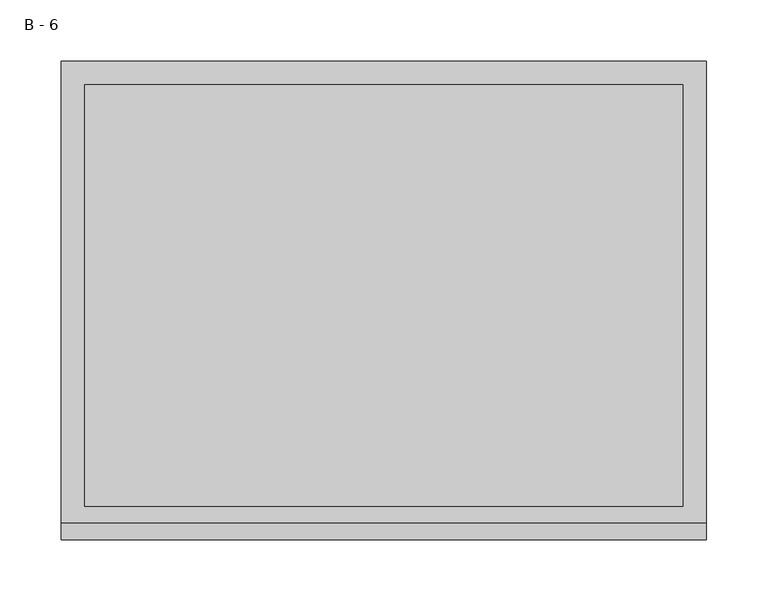
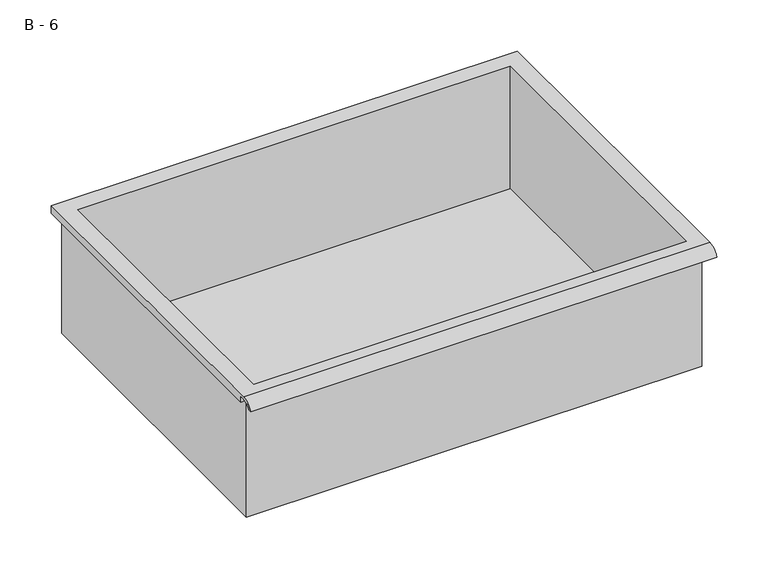
"""IFC4 building model written with IfcOpenShell, lengths in millimetres: furniture geometry, B - 6."""

from ifc_helpers import new_model, si_unit, frame, origin, place, context, project, spatial, polyline, circle_curve, source, transform, mapped, element, save
from ifc_brep_helpers import plane_surface, cylinder_surface, revolved_surface, advanced_brep


def b_6_4face197(model_context):
    return source(origin(), model_context, "Body", "AdvancedBrep", [
        advanced_brep(
        [(-257.1076517, -176.2125, 673.0111), (257.2423483, -176.2125, 673.0111), (257.2423483, -176.2125, 812.7111), (263.5923483, -176.2125, 812.7111), (263.5923483, -176.2125, 819.0182341), (-263.4576517, -176.2125, 819.0182341), (-263.4576517, -176.2125, 812.7111), (-257.1076517, -176.2125, 812.7111), (257.2423483, 185.7375, 673.0111), (-257.1076517, 185.7375, 673.0111), (-257.1076517, 185.7375, 812.7111), (257.2423483, 185.7375, 812.7111), (263.5923483, -181.6070544, 822.2361), (263.5923483, 195.2625, 822.2361), (-263.4576517, 195.2625, 822.2361), (-263.4576517, -181.6070544, 822.2361), (244.5423483, -168.275, 822.2361), (-244.4076517, -168.275, 822.2361), (-244.4076517, 176.2125, 822.2361), (244.5423483, 176.2125, 822.2361), (263.5923483, -195.2625, 812.7111), (263.5923483, -191.8280601, 812.7111), (263.5923483, -180.4714815, 819.0182341), (263.5923483, 195.2625, 812.7111), (-263.4576517, 195.2625, 812.7111), (-263.4576517, -180.4714815, 819.0182341), (-263.4576517, -191.8280601, 812.7111), (-263.4576517, -195.2625, 812.7111), (-244.4076517, -168.275, 676.0372719), (244.5423483, -168.275, 676.0372719), (244.5423483, 176.2125, 676.0372719), (-244.4076517, 176.2125, 676.0372719)],
        [
            (0, 1),
            (1, 2),
            (2, 3),
            (3, 4),
            (4, 5),
            (5, 6),
            (6, 7),
            (7, 0),
            (8, 9),
            (9, 10),
            (10, 11),
            (11, 8),
            (0, 9),
            (8, 1),
            (11, 2),
            (12, 13),
            (13, 14),
            (14, 15),
            (15, 12),
            (16, 17),
            (17, 18),
            (18, 19),
            (19, 16),
            (7, 10),
            (12, 20, circle_curve(frame((263.5923483, -181.6070544, 807.6850859), z_axis=(1.0, 0.0, 0.0), x_axis=(0.0, 1.0, 0.0)), 14.5510141)),
            (20, 21),
            (21, 22, circle_curve(frame((263.5923483, -181.6070544, 807.6850859), z_axis=(-1.0, 0.0, 0.0), x_axis=(0.0, 1.0, 0.0)), 11.3898979)),
            (22, 4),
            (3, 23),
            (23, 13),
            (14, 24),
            (24, 6),
            (5, 25),
            (25, 26, circle_curve(frame((-263.4576517, -181.6070544, 807.6850859), z_axis=(1.0, 0.0, 0.0), x_axis=(0.0, 1.0, 0.0)), 11.3898979)),
            (26, 27),
            (27, 15, circle_curve(frame((-263.4576517, -181.6070544, 807.6850859), z_axis=(-1.0, 0.0, 0.0), x_axis=(0.0, 1.0, 0.0)), 14.5510141)),
            (27, 20),
            (26, 21),
            (25, 22),
            (24, 23),
            (28, 29),
            (29, 30),
            (30, 31),
            (31, 28),
            (28, 17),
            (16, 29),
            (19, 30),
            (18, 31),
        ],
        [
            plane_surface(frame((257.2423483, -176.2125, 673.0111), z_axis=(0.0, -1.0, 0.0), x_axis=(1.0, 0.0, 0.0))),
            plane_surface(frame((257.2423483, 185.7375, 673.0111), z_axis=(0.0, 1.0, 0.0), x_axis=(-1.0, 0.0, 0.0))),
            plane_surface(frame((-257.1076517, -176.2125, 673.0111), z_axis=(0.0, 0.0, -1.0), x_axis=(0.0, 1.0, 0.0))),
            plane_surface(frame((257.2423483, -176.2125, 673.0111), z_axis=(1.0, 0.0, 0.0), x_axis=(0.0, 1.0, 0.0))),
            plane_surface(frame((257.2423483, -176.2125, 822.2361), z_axis=(0.0, 0.0, 1.0), x_axis=(0.0, 1.0, 0.0))),
            plane_surface(frame((-257.1076517, -176.2125, 822.2361), z_axis=(-1.0, 0.0, 0.0), x_axis=(0.0, 1.0, 0.0))),
            plane_surface(frame((263.5923483, 195.2625, 822.2361), z_axis=(1.0, 0.0, 0.0), x_axis=(0.0, -1.0, 0.0))),
            plane_surface(frame((-263.4576517, 195.2625, 822.2361), z_axis=(-1.0, 0.0, 0.0), x_axis=(0.0, 1.0, 0.0))),
            cylinder_surface(frame((-263.4576517, -181.6070544, 807.6850859), z_axis=(1.0, 0.0, 0.0), x_axis=(0.0, 1.0, 0.0)), 14.5510141),
            plane_surface(frame((263.5923483, -195.2625, 812.7111), z_axis=(0.0, -7.09417289362401e-12, -1.0), x_axis=(-1.0, 0.0, 0.0))),
            revolved_surface(polyline([(-263.4576517, -170.21715650000002, 807.6850859), (263.59234829999997, -170.21715650000002, 807.6850859)]), (-263.4576517, -181.6070544, 807.6850859), (-1.0, 0.0, 0.0)),
            plane_surface(frame((263.5923483, -180.4714815, 819.0182341), z_axis=(0.0, -1.767071905139277e-11, -1.0), x_axis=(-1.0, 0.0, 0.0))),
            plane_surface(frame((263.5923483, -176.2125, 812.7111), z_axis=(0.0, 0.0, -1.0), x_axis=(-1.0, 0.0, 0.0))),
            plane_surface(frame((263.5923483, 195.2625, 812.7111), z_axis=(0.0, 1.0, 0.0), x_axis=(-1.0, 0.0, 0.0))),
            plane_surface(frame((244.5423483, -168.275, 676.0372719), z_axis=(0.0, 0.0, 1.0), x_axis=(-1.0, 0.0, 0.0))),
            plane_surface(frame((-244.4076517, -168.275, 822.2361), z_axis=(0.0, 1.0, 0.0), x_axis=(0.0, 0.0, -1.0))),
            plane_surface(frame((244.5423483, -168.275, 822.2361), z_axis=(-1.0, 0.0, 0.0), x_axis=(0.0, 0.0, -1.0))),
            plane_surface(frame((244.5423483, 176.2125, 822.2361), z_axis=(0.0, -1.0, 0.0), x_axis=(0.0, 0.0, -1.0))),
            plane_surface(frame((-244.4076517, 176.2125, 822.2361), z_axis=(1.0, 0.0, 0.0), x_axis=(0.0, 0.0, -1.0))),
        ],
        [
            (0, [[1, 2, 3, 4, 5, 6, 7, 8]]),
            (1, [[9, 10, 11, 12]]),
            (2, [[-1, 13, -9, 14]]),
            (3, [[-14, -12, 15, -2]]),
            (4, [[16, 17, 18, 19], [20, 21, 22, 23]]),
            (5, [[-13, -8, 24, -10]]),
            (6, [[-16, 25, 26, 27, 28, -4, 29, 30]]),
            (7, [[31, 32, -6, 33, 34, 35, 36, -18]]),
            (8, [[-25, -19, -36, 37]]),
            (9, [[-26, -37, -35, 38]]),
            (10, [[-27, -38, -34, 39]]),
            (11, [[-28, -39, -33, -5]]),
            (12, [[-29, -3, -15, -11, -24, -7, -32, 40]]),
            (13, [[-30, -40, -31, -17]]),
            (14, [[41, 42, 43, 44]]),
            (15, [[-41, 45, -20, 46]]),
            (16, [[-42, -46, -23, 47]]),
            (17, [[-43, -47, -22, 48]]),
            (18, [[-44, -48, -21, -45]]),
        ],
    ),
    ])


if __name__ == "__main__":
    model = new_model("IFC4")
    model_context = context("Model", 3, world=origin())
    ifc_project = project(units=[si_unit("LENGTHUNIT", "METRE", prefix="MILLI")], contexts=[model_context])
    site = spatial("IfcSite", under=ifc_project)
    building = spatial("IfcBuilding", under=site)
    placement = place(None, origin())
    b_6_shape = b_6_4face197(model_context)
    element("IfcFurniture", 1, ObjectType="B - 6", at=placement, inside=building, context=model_context, shape_type="MappedRepresentation", body=[
        mapped(b_6_shape, transform((0.0, 0.0, 0.0), x_axis=(1.0, 0.0, 0.0), y_axis=(0.0, 1.0, 0.0), z_axis=(0.0, 0.0, 1.0))),
    ])
    save(model, "model.ifc")
